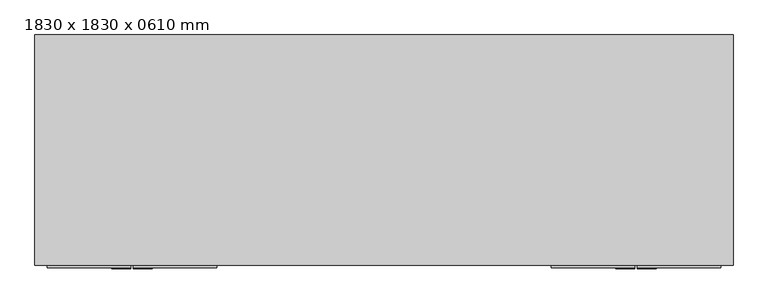
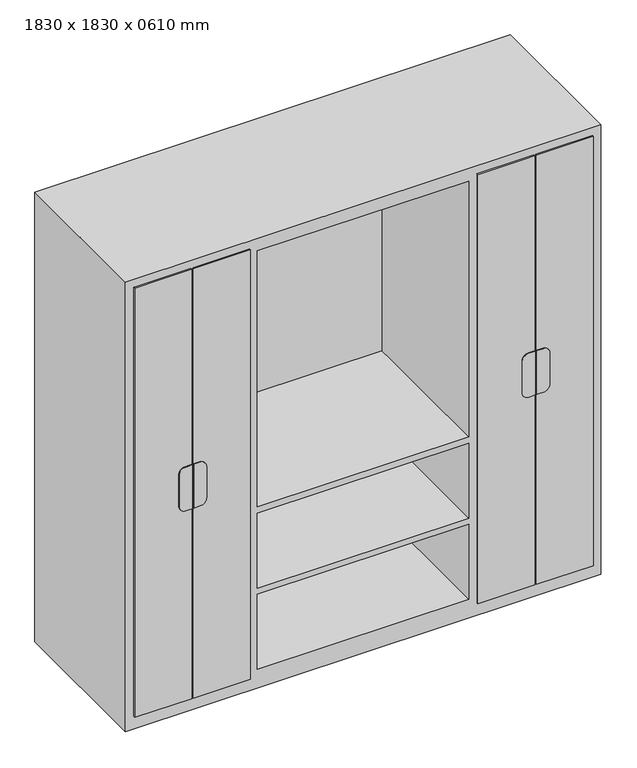
"""IFC4 building model written with IfcOpenShell, lengths in millimetres: furniture geometry, 1830 x 1830 x 0610 mm."""

from ifc_helpers import new_model, si_unit, point, frame, frame_2d, origin, place, context, project, spatial, polyline, circle_curve, trimmed, segment, composite_curve, outline, extrude, faceted_brep, source, transform, mapped, element, save


def furniture_1830_x_1830_x_0610_mm_f77a9b93(model_context):
    return source(origin(), model_context, "Body", "SolidModel", [
        faceted_brep([(915.0, -705.05, 0.0), (915.0, -705.05, 1830.0), (-915.0, -705.05, 1830.0), (-915.0, -705.05, 0.0), (-457.3, -705.05, 1779.2), (-457.3, -705.05, 1385.2), (-864.2, -705.05, 1385.2), (-864.2, -705.05, 1779.2), (-457.3, -705.05, 76.2), (-864.2, -705.05, 76.2), (-864.2, -705.05, 444.8), (-457.3, -705.05, 444.8), (864.2, -705.05, 1385.2), (457.3, -705.05, 1385.2), (457.3, -705.05, 1779.2), (864.2, -705.05, 1779.2), (-406.5, -705.05, 737.2), (-406.5, -705.05, 1779.2), (406.5, -705.05, 1779.2), (406.5, -705.05, 737.2), (406.5, -705.05, 76.2), (-406.5, -705.05, 76.2), (-406.5, -705.05, 381.3), (406.5, -705.05, 381.3), (864.2, -705.05, 76.2), (457.3, -705.05, 76.2), (457.3, -705.05, 444.8), (864.2, -705.05, 444.8), (-864.2, -705.05, 470.2), (-864.2, -705.05, 902.3), (-457.3, -705.05, 902.3), (-457.3, -705.05, 470.2), (-457.3, -705.05, 1359.8), (-457.3, -705.05, 927.7), (-864.2, -705.05, 927.7), (-864.2, -705.05, 1359.8), (457.3, -705.05, 1359.8), (864.2, -705.05, 1359.8), (864.2, -705.05, 927.7), (457.3, -705.05, 927.7), (457.3, -705.05, 902.3), (864.2, -705.05, 902.3), (864.2, -705.05, 470.2), (457.3, -705.05, 470.2), (406.5, -705.05, 406.7), (-406.5, -705.05, 406.7), (-406.5, -705.05, 711.8), (406.5, -705.05, 711.8), (915.0, -101.4, 0.0), (-915.0, -101.4, 0.0), (-915.0, -101.4, 1830.0), (915.0, -101.4, 1830.0), (-457.3, -126.8, 1779.2), (-457.3, -126.8, 1385.2), (-864.2, -126.8, 1385.2), (-864.2, -126.8, 1779.2), (-457.3, -126.8, 76.2), (-864.2, -126.8, 76.2), (-864.2, -126.8, 444.8), (-457.3, -126.8, 444.8), (864.2, -126.8, 1385.2), (457.3, -126.8, 1385.2), (457.3, -126.8, 1779.2), (864.2, -126.8, 1779.2), (-406.5, -126.8, 737.2), (-406.5, -126.8, 1779.2), (406.5, -126.8, 1779.2), (406.5, -126.8, 737.2), (406.5, -126.8, 76.2), (-406.5, -126.8, 76.2), (-406.5, -126.8, 381.3), (406.5, -126.8, 381.3), (864.2, -126.8, 76.2), (457.3, -126.8, 76.2), (457.3, -126.8, 444.8), (864.2, -126.8, 444.8), (-864.2, -126.8, 470.2), (-864.2, -126.8, 902.3), (-457.3, -126.8, 902.3), (-457.3, -126.8, 470.2), (-457.3, -126.8, 1359.8), (-457.3, -126.8, 927.7), (-864.2, -126.8, 927.7), (-864.2, -126.8, 1359.8), (457.3, -126.8, 1359.8), (864.2, -126.8, 1359.8), (864.2, -126.8, 927.7), (457.3, -126.8, 927.7), (457.3, -126.8, 902.3), (864.2, -126.8, 902.3), (864.2, -126.8, 470.2), (457.3, -126.8, 470.2), (406.5, -126.8, 406.7), (-406.5, -126.8, 406.7), (-406.5, -126.8, 711.8), (406.5, -126.8, 711.8)], [[[0, 1, 2, 3], [4, 5, 6, 7], [8, 9, 10, 11], [12, 13, 14, 15], [16, 17, 18, 19], [20, 21, 22, 23], [24, 25, 26, 27], [28, 29, 30, 31], [32, 33, 34, 35], [36, 37, 38, 39], [40, 41, 42, 43], [44, 45, 46, 47]], [[48, 49, 50, 51]], [[1, 0, 48, 51]], [[2, 1, 51, 50]], [[3, 2, 50, 49]], [[0, 3, 49, 48]], [[5, 4, 52, 53]], [[6, 5, 53, 54]], [[7, 6, 54, 55]], [[4, 7, 55, 52]], [[9, 8, 56, 57]], [[10, 9, 57, 58]], [[11, 10, 58, 59]], [[8, 11, 59, 56]], [[13, 12, 60, 61]], [[14, 13, 61, 62]], [[15, 14, 62, 63]], [[12, 15, 63, 60]], [[17, 16, 64, 65]], [[18, 17, 65, 66]], [[19, 18, 66, 67]], [[16, 19, 67, 64]], [[21, 20, 68, 69]], [[22, 21, 69, 70]], [[23, 22, 70, 71]], [[20, 23, 71, 68]], [[25, 24, 72, 73]], [[26, 25, 73, 74]], [[27, 26, 74, 75]], [[24, 27, 75, 72]], [[29, 28, 76, 77]], [[30, 29, 77, 78]], [[31, 30, 78, 79]], [[28, 31, 79, 76]], [[33, 32, 80, 81]], [[34, 33, 81, 82]], [[35, 34, 82, 83]], [[32, 35, 83, 80]], [[37, 36, 84, 85]], [[38, 37, 85, 86]], [[39, 38, 86, 87]], [[36, 39, 87, 84]], [[41, 40, 88, 89]], [[42, 41, 89, 90]], [[43, 42, 90, 91]], [[40, 43, 91, 88]], [[45, 44, 92, 93]], [[46, 45, 93, 94]], [[47, 46, 94, 95]], [[44, 47, 95, 92]], [[53, 52, 55, 54]], [[57, 56, 59, 58]], [[61, 60, 63, 62]], [[65, 64, 67, 66]], [[69, 68, 71, 70]], [[73, 72, 75, 74]], [[77, 76, 79, 78]], [[81, 80, 83, 82]], [[85, 84, 87, 86]], [[89, 88, 91, 90]], [[93, 92, 95, 94]]]),
        extrude(outline(composite_curve([segment(polyline([(1003.9, -633.3486452), (1003.9, -657.575), (826.1, -657.575), (826.1, -633.3486452)]), True, "CONTINUOUS"), segment(trimmed(circle_curve(frame_2d((851.5, -633.3486452)), 25.4), [point((826.1, -633.3486452))], [point((851.5, -607.9486452))], False, "CARTESIAN"), True, "CONTINUOUS"), segment(polyline([(851.5, -607.9486452), (978.5, -607.9486452)]), True, "CONTINUOUS"), segment(trimmed(circle_curve(frame_2d((978.5, -633.3486452)), 25.4), [point((978.5, -607.9486452))], [point((1003.9, -633.3486452))], False, "CARTESIAN"), True, "CONTINUOUS")], self_intersect=False)), frame((0.0, -714.575, 0.0), z_axis=(0.0, 1.0, 0.0), x_axis=(0.0, 0.0, 1.0)), (0.0, 0.0, 1.0), 3.175),
        extrude(outline(composite_curve([segment(trimmed(circle_curve(frame_2d((978.5, -688.53125)), 25.4), [point((1003.9, -688.53125))], [point((978.5, -713.93125))], False, "CARTESIAN"), True, "CONTINUOUS"), segment(polyline([(978.5, -713.93125), (851.5, -713.93125)]), True, "CONTINUOUS"), segment(trimmed(circle_curve(frame_2d((851.5, -688.53125)), 25.4), [point((851.5, -713.93125))], [point((826.1, -688.53125))], False, "CARTESIAN"), True, "CONTINUOUS"), segment(polyline([(826.1, -688.53125), (826.1, -663.925), (1003.9, -663.925), (1003.9, -688.53125)]), True, "CONTINUOUS")], self_intersect=False)), frame((0.0, -714.575, 0.0), z_axis=(0.0, 1.0, 0.0), x_axis=(0.0, 0.0, 1.0)), (0.0, 0.0, 1.0), 3.175),
        extrude(outline(composite_curve([segment(trimmed(circle_curve(frame_2d((978.5, 633.3486452)), 25.4), [point((1003.9, 633.3486452))], [point((978.5, 607.9486452))], False, "CARTESIAN"), True, "CONTINUOUS"), segment(polyline([(978.5, 607.9486452), (851.5, 607.9486452)]), True, "CONTINUOUS"), segment(trimmed(circle_curve(frame_2d((851.5, 633.3486452)), 25.4), [point((851.5, 607.9486452))], [point((826.1, 633.3486452))], False, "CARTESIAN"), True, "CONTINUOUS"), segment(polyline([(826.1, 633.3486452), (826.1, 657.575), (1003.9, 657.575), (1003.9, 633.3486452)]), True, "CONTINUOUS")], self_intersect=False)), frame((0.0, -714.575, 0.0), z_axis=(0.0, 1.0, 0.0), x_axis=(0.0, 0.0, 1.0)), (0.0, 0.0, 1.0), 3.175),
        extrude(outline(composite_curve([segment(polyline([(1003.9, 688.53125), (1003.9, 663.925), (826.1, 663.925), (826.1, 688.53125)]), True, "CONTINUOUS"), segment(trimmed(circle_curve(frame_2d((851.5, 688.53125)), 25.4), [point((826.1, 688.53125))], [point((851.5, 713.93125))], False, "CARTESIAN"), True, "CONTINUOUS"), segment(polyline([(851.5, 713.93125), (978.5, 713.93125)]), True, "CONTINUOUS"), segment(trimmed(circle_curve(frame_2d((978.5, 688.53125)), 25.4), [point((978.5, 713.93125))], [point((1003.9, 688.53125))], False, "CARTESIAN"), True, "CONTINUOUS")], self_intersect=False)), frame((0.0, -714.575, 0.0), z_axis=(0.0, 1.0, 0.0), x_axis=(0.0, 0.0, 1.0)), (0.0, 0.0, 1.0), 3.175),
        extrude(outline(polyline([(-883.25, -705.05), (-663.925, -705.05), (-663.925, -711.4), (-883.25, -711.4), (-883.25, -705.05)])), frame((0.0, 0.0, 50.8), z_axis=(0.0, 0.0, 1.0), x_axis=(1.0, 0.0, 0.0)), (0.0, 0.0, 1.0), 1747.45),
        extrude(outline(polyline([(-657.575, -705.05), (-438.25, -705.05), (-438.25, -711.4), (-657.575, -711.4), (-657.575, -705.05)])), frame((0.0, 0.0, 50.8), z_axis=(0.0, 0.0, 1.0), x_axis=(1.0, 0.0, 0.0)), (0.0, 0.0, 1.0), 1747.45),
        extrude(outline(polyline([(663.925, -705.05), (883.25, -705.05), (883.25, -711.4), (663.925, -711.4), (663.925, -705.05)])), frame((0.0, 0.0, 50.8), z_axis=(0.0, 0.0, 1.0), x_axis=(1.0, 0.0, 0.0)), (0.0, 0.0, 1.0), 1747.45),
        extrude(outline(polyline([(438.25, -705.05), (657.575, -705.05), (657.575, -711.4), (438.25, -711.4), (438.25, -705.05)])), frame((0.0, 0.0, 50.8), z_axis=(0.0, 0.0, 1.0), x_axis=(1.0, 0.0, 0.0)), (0.0, 0.0, 1.0), 1747.45),
    ])


if __name__ == "__main__":
    model = new_model("IFC4")
    model_context = context("Model", 3, world=origin())
    ifc_project = project(units=[si_unit("LENGTHUNIT", "METRE", prefix="MILLI")], contexts=[model_context])
    site = spatial("IfcSite", under=ifc_project)
    building = spatial("IfcBuilding", under=site)
    placement = place(None, origin())
    furniture_1830_x_1830_x_0610_mm_shape = furniture_1830_x_1830_x_0610_mm_f77a9b93(model_context)
    element("IfcFurniture", 1, ObjectType="1830 x 1830 x 0610 mm", at=placement, inside=building, context=model_context, shape_type="MappedRepresentation", body=[
        mapped(furniture_1830_x_1830_x_0610_mm_shape, transform((0.0, 0.0, 0.0), x_axis=(1.0, 0.0, 0.0), y_axis=(0.0, 1.0, 0.0), z_axis=(0.0, 0.0, 1.0))),
    ])
    save(model, "model.ifc")
